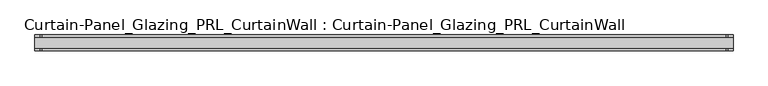
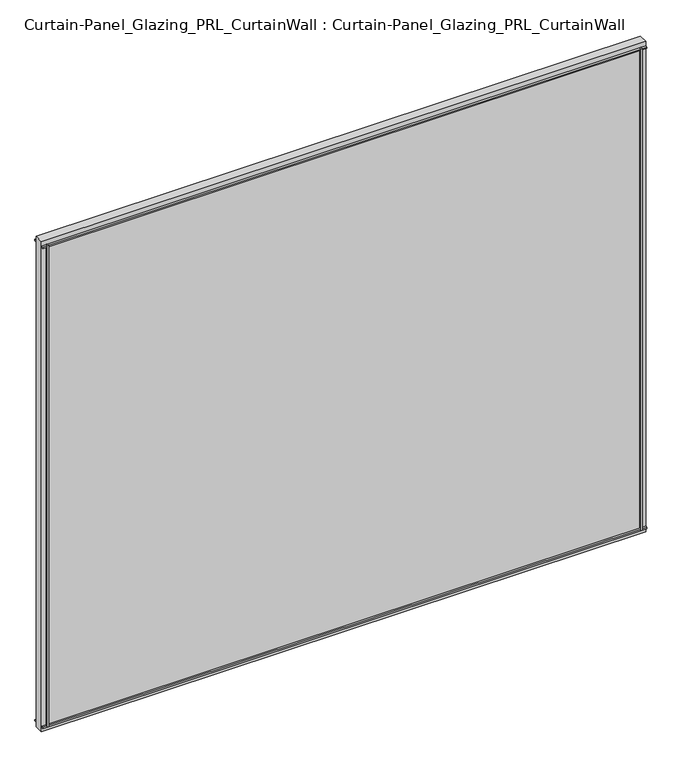
"""IFC4 building model written with IfcOpenShell, lengths in millimetres: plate geometry, Curtain-Panel_Glazing_PRL_CurtainWall : Curtain-Panel_Glazing_PRL_CurtainWall."""

from ifc_helpers import new_model, si_unit, frame, origin, origin_with_axes, place, context, project, spatial, polyline, outline, extrude, source, transform, mapped, element, save


def curtain_panel_glazing_prl_curtainwall_curtain_panel_glazing_c080353e(model_context):
    return source(origin(), model_context, "Body", "SweptSolid", [
        extrude(outline(polyline([(831.85, -19.05), (827.88125, -19.05), (827.88125, -12.7), (831.85, -12.7), (831.85, -19.05)])), frame((0.0, 0.0, 12.7), z_axis=(0.0, 0.0, 1.0), x_axis=(1.0, 0.0, 0.0)), (0.0, 0.0, 1.0), 1422.4),
        extrude(outline(polyline([(831.85, 19.05), (831.85, 12.7), (827.88125, 12.7), (827.88125, 19.05), (831.85, 19.05)])), frame((0.0, 0.0, 12.7), z_axis=(0.0, 0.0, 1.0), x_axis=(1.0, 0.0, 0.0)), (0.0, 0.0, 1.0), 1422.4),
        extrude(outline(polyline([(-831.85, -19.05), (-831.85, -12.7), (-827.88125, -12.7), (-827.88125, -19.05), (-831.85, -19.05)])), frame((0.0, 0.0, 12.7), z_axis=(0.0, 0.0, 1.0), x_axis=(1.0, 0.0, 0.0)), (0.0, 0.0, 1.0), 1422.4),
        extrude(outline(polyline([(-831.85, 19.05), (-827.88125, 19.05), (-827.88125, 12.7), (-831.85, 12.7), (-831.85, 19.05)])), frame((0.0, 0.0, 12.7), z_axis=(0.0, 0.0, 1.0), x_axis=(1.0, 0.0, 0.0)), (0.0, 0.0, 1.0), 1422.4),
        extrude(outline(polyline([(844.55, 12.7), (844.55, -12.7), (-844.55, -12.7), (-844.55, 12.7), (844.55, 12.7)])), origin_with_axes(), (0.0, 0.0, 1.0), 1447.8),
        extrude(outline(polyline([(-844.55, -19.05), (-844.55, -12.7), (844.55, -12.7), (844.55, -19.05), (-844.55, -19.05)])), frame((0.0, 0.0, 1431.13125), z_axis=(0.0, 0.0, 1.0), x_axis=(1.0, 0.0, 0.0)), (0.0, 0.0, 1.0), 3.96875),
        extrude(outline(polyline([(-844.55, 19.05), (844.55, 19.05), (844.55, 12.7), (-844.55, 12.7), (-844.55, 19.05)])), frame((0.0, 0.0, 1431.13125), z_axis=(0.0, 0.0, 1.0), x_axis=(1.0, 0.0, 0.0)), (0.0, 0.0, 1.0), 3.96875),
        extrude(outline(polyline([(-844.55, -19.05), (-844.55, -12.7), (844.55, -12.7), (844.55, -19.05), (-844.55, -19.05)])), frame((0.0, 0.0, 12.7), z_axis=(0.0, 0.0, 1.0), x_axis=(1.0, 0.0, 0.0)), (0.0, 0.0, 1.0), 3.96875),
        extrude(outline(polyline([(-844.55, 19.05), (844.55, 19.05), (844.55, 12.7), (-844.55, 12.7), (-844.55, 19.05)])), frame((0.0, 0.0, 12.7), z_axis=(0.0, 0.0, 1.0), x_axis=(1.0, 0.0, 0.0)), (0.0, 0.0, 1.0), 3.96875),
    ])


if __name__ == "__main__":
    model = new_model("IFC4")
    model_context = context("Model", 3, world=origin())
    ifc_project = project(units=[si_unit("LENGTHUNIT", "METRE", prefix="MILLI")], contexts=[model_context])
    site = spatial("IfcSite", under=ifc_project)
    building = spatial("IfcBuilding", under=site)
    placement = place(None, origin())
    curtain_panel_glazing_prl_curtainwall_curtain_panel_glazing_shape = curtain_panel_glazing_prl_curtainwall_curtain_panel_glazing_c080353e(model_context)
    element("IfcPlate", 1, ObjectType="Curtain-Panel_Glazing_PRL_CurtainWall : Curtain-Panel_Glazing_PRL_CurtainWall", at=placement, inside=building, context=model_context, shape_type="MappedRepresentation", body=[
        mapped(curtain_panel_glazing_prl_curtainwall_curtain_panel_glazing_shape, transform((0.0, 0.0, 0.0), x_axis=(1.0, 0.0, 0.0), y_axis=(0.0, 1.0, 0.0), z_axis=(0.0, 0.0, 1.0))),
    ])
    save(model, "model.ifc")
